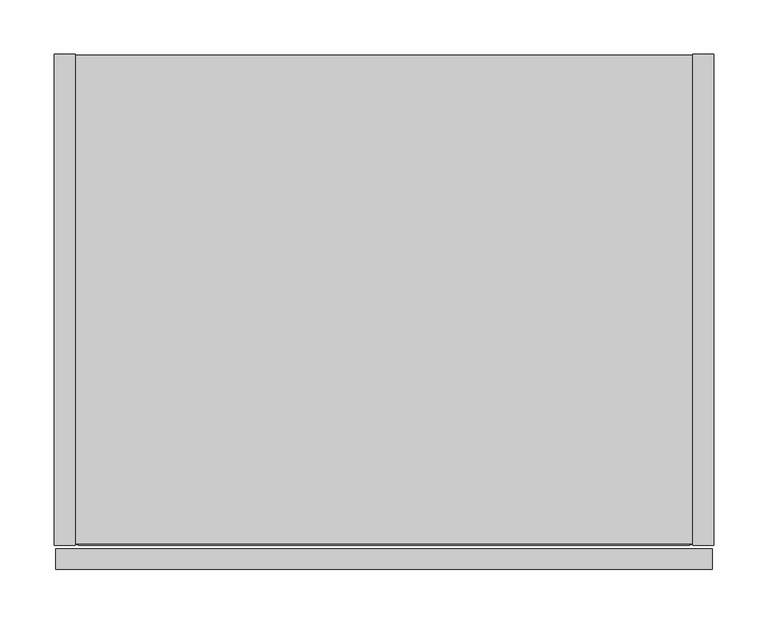
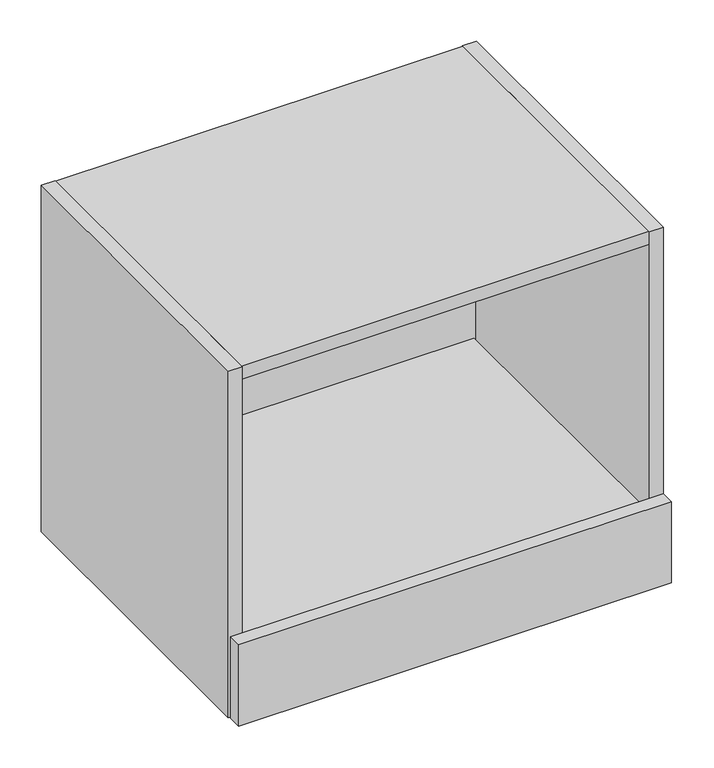
"""IFC4 building model written with IfcOpenShell, lengths in millimetres: furniture geometry."""

import ifcopenshell
import ifcopenshell.guid

model = None  # the IFC model being written
_history = None  # IfcOwnerHistory: only IFC2X3 demands one
_inside = {}  # id of a spatial element -> (the spatial element, [elements in it])
_under = {}  # id of a project, library or spatial element -> (it, [spatial elements below it])
_declared = {}  # id of a project -> (the project, [libraries it declares])
_typed = {}  # id of a type object -> (the type object, [elements of that type])
_made_of = {}  # id of a material, layer set ... -> (it, [elements and type objects made of it])


def new_model(schema):
    """Start an empty IFC model of exactly this schema.

    Asked for "IFC4X3", IfcOpenShell would pick the latest addendum, in which some entities
    have other attributes; the version numbers below select the first issue.
    IFC2X3 requires an IfcOwnerHistory on every rooted entity: one is made here for all.
    """
    global model, _history
    if schema == "IFC4X3":
        model = ifcopenshell.file(schema_version=(4, 3, 0, 0))
    else:
        model = ifcopenshell.file(schema=schema)
    _inside.clear()
    _under.clear()
    _declared.clear()
    _typed.clear()
    _made_of.clear()
    _history = None
    if model.schema == "IFC2X3":
        org = make("IfcOrganization", Name="unknown")
        user = make(
            "IfcPersonAndOrganization",
            ThePerson=make("IfcPerson", FamilyName="unknown"),
            TheOrganization=org,
        )
        app = make(
            "IfcApplication",
            ApplicationDeveloper=org,
            Version="unknown",
            ApplicationFullName="unknown",
            ApplicationIdentifier="unknown",
        )
        _history = make(
            "IfcOwnerHistory",
            OwningUser=user,
            OwningApplication=app,
            ChangeAction="ADDED",
            CreationDate=0,
        )
    return model


def make(cls, **values):
    """One entity of the class cls with the attributes given. An attribute that is None is left unset."""
    return model.create_entity(
        cls, **{name: value for name, value in values.items() if value is not None}
    )


def rooted(cls, **values):
    """An entity with a GlobalId (a new one), such as an element, a storey or a relation."""
    return make(cls, GlobalId=ifcopenshell.guid.new(), OwnerHistory=_history, **values)


def si_unit(unit_type, name, prefix=None):
    """IfcSIUnit, for example si_unit("LENGTHUNIT", "METRE", prefix="MILLI")."""
    return make("IfcSIUnit", UnitType=unit_type, Prefix=prefix, Name=name)


def assignment(units):
    """IfcUnitAssignment: the units of a project."""
    return None if units is None else make("IfcUnitAssignment", Units=units)


def point(xyz):
    """IfcCartesianPoint."""
    return None if xyz is None else make("IfcCartesianPoint", Coordinates=xyz)


def direction(xyz):
    """IfcDirection."""
    return None if xyz is None else make("IfcDirection", DirectionRatios=xyz)


def frame(location, z_axis=None, x_axis=None):
    """IfcAxis2Placement3D, a coordinate frame: its origin and axes. An axis left out is left unset."""
    return make(
        "IfcAxis2Placement3D",
        Location=point(location),
        Axis=direction(z_axis),
        RefDirection=direction(x_axis),
    )


def frame_2d(location, x_axis=None):
    """IfcAxis2Placement2D, a coordinate frame in the plane: its origin and x axis."""
    return make(
        "IfcAxis2Placement2D", Location=point(location), RefDirection=direction(x_axis)
    )


def origin():
    """The frame at (0, 0, 0) with its axes left unset."""
    return frame((0.0, 0.0, 0.0))


def place(relative_to, where):
    """IfcLocalPlacement: puts the frame where relative to a parent placement (None: the world)."""
    return make(
        "IfcLocalPlacement", PlacementRelTo=relative_to, RelativePlacement=where
    )


def context(
    kind, dimensions, precision=None, world=None, true_north=None, identifier=None
):
    """IfcGeometricRepresentationContext, for example the 3D "Model" context."""
    return make(
        "IfcGeometricRepresentationContext",
        ContextIdentifier=identifier,
        ContextType=kind,
        CoordinateSpaceDimension=dimensions,
        Precision=precision,
        WorldCoordinateSystem=world,
        TrueNorth=true_north,
    )


def project(units=None, contexts=None):
    """IfcProject with its units and contexts."""
    return rooted(
        "IfcProject",
        Name="project",
        RepresentationContexts=contexts,
        UnitsInContext=assignment(units),
    )


def spatial(cls, under=None, at=None, **own):
    """A site, building, storey or space (cls), placed at a placement, below another one or the project."""
    s = rooted(cls, ObjectPlacement=at, **own)
    if under is not None:
        _under.setdefault(under.id(), (under, []))[1].append(s)
    return s


def polyline(points):
    """IfcPolyline through the points."""
    return make("IfcPolyline", Points=[point(p) for p in points])


def circle_curve(where, radius):
    """IfcCircle in the frame where."""
    return make("IfcCircle", Position=where, Radius=radius)


def trimmed(basis, trim1, trim2, sense, master):
    """IfcTrimmedCurve: the piece of a basis curve between two trims."""
    return make(
        "IfcTrimmedCurve",
        BasisCurve=basis,
        Trim1=trim1,
        Trim2=trim2,
        SenseAgreement=sense,
        MasterRepresentation=master,
    )


def segment(curve, same_sense, transition):
    """IfcCompositeCurveSegment."""
    return make(
        "IfcCompositeCurveSegment",
        Transition=transition,
        SameSense=same_sense,
        ParentCurve=curve,
    )


def composite_curve(segments, self_intersect=None):
    """IfcCompositeCurve: segments joined end to end."""
    return make("IfcCompositeCurve", Segments=segments, SelfIntersect=self_intersect)


def outline(outer, holes=None, kind="AREA"):
    """IfcArbitraryClosedProfileDef: a profile drawn as a closed curve; with holes, ...WithVoids."""
    if holes is None:
        return make("IfcArbitraryClosedProfileDef", ProfileType=kind, OuterCurve=outer)
    return make(
        "IfcArbitraryProfileDefWithVoids",
        ProfileType=kind,
        OuterCurve=outer,
        InnerCurves=holes,
    )


def extrude(swept, where, along, depth):
    """IfcExtrudedAreaSolid: the profile swept, set in the frame where, extruded along a direction by depth."""
    return make(
        "IfcExtrudedAreaSolid",
        SweptArea=swept,
        Position=where,
        ExtrudedDirection=direction(along),
        Depth=depth,
    )


def shape(context_of_items, identifier, shape_type, items):
    """IfcShapeRepresentation: the items that make up one representation, for example the "Body"."""
    return make(
        "IfcShapeRepresentation",
        ContextOfItems=context_of_items,
        RepresentationIdentifier=identifier,
        RepresentationType=shape_type,
        Items=items,
    )


def source(mapping_origin, context_of_items, identifier, shape_type, items):
    """IfcRepresentationMap: a shape defined once, which mapped items show again and again."""
    return make(
        "IfcRepresentationMap",
        MappingOrigin=mapping_origin,
        MappedRepresentation=shape(context_of_items, identifier, shape_type, items),
    )


def transform(
    local_origin,
    x_axis=None,
    y_axis=None,
    z_axis=None,
    scale=None,
    scale2=None,
    scale3=None,
    uniform=True,
):
    """IfcCartesianTransformationOperator3D, or its non-uniform kind. x_axis, y_axis, z_axis: its Axis1, 2, 3."""
    if uniform:
        return make(
            "IfcCartesianTransformationOperator3D",
            Axis1=direction(x_axis),
            Axis2=direction(y_axis),
            LocalOrigin=point(local_origin),
            Scale=scale,
            Axis3=direction(z_axis),
        )
    return make(
        "IfcCartesianTransformationOperator3DnonUniform",
        Axis1=direction(x_axis),
        Axis2=direction(y_axis),
        LocalOrigin=point(local_origin),
        Scale=scale,
        Axis3=direction(z_axis),
        Scale2=scale2,
        Scale3=scale3,
    )


def mapped(mapping_source, mapping_target):
    """IfcMappedItem: shows the shape of a source again, moved by a transform."""
    return make(
        "IfcMappedItem", MappingSource=mapping_source, MappingTarget=mapping_target
    )


def made_of(thing, what):
    """Note that an element or type object is made of a material, layer set ...; save() writes the relation."""
    if what is not None:
        _made_of.setdefault(what.id(), (what, []))[1].append(thing)
    return thing


def element(
    cls,
    number,
    at=None,
    inside=None,
    cuts=None,
    type_object=None,
    material=None,
    context=None,
    identifier="Body",
    shape_type=None,
    held_by="IfcProductDefinitionShape",
    body=None,
    shapes=None,
    **own,
):
    """One element of the class cls, such as IfcWall. Its Tag is "e" and its number.

    at: its placement. inside: the storey or other place that contains it. cuts: it is an
    opening in that element (IfcRelVoidsElement). A single representation is given by context,
    identifier, shape_type and body (its items); several are given by shapes. held_by: the class
    of the entity that holds the representations. save() writes the other relations.
    """
    e = rooted(cls, Tag="e%d" % number, ObjectPlacement=at, **own)
    if body is not None:
        shapes = [shape(context, identifier, shape_type, body)]
    if shapes is not None:
        e.Representation = make(held_by, Representations=shapes)
    if inside is not None:
        _inside.setdefault(inside.id(), (inside, []))[1].append(e)
    if cuts is not None:
        rooted(
            "IfcRelVoidsElement", RelatingBuildingElement=cuts, RelatedOpeningElement=e
        )
    if type_object is not None:
        _typed.setdefault(type_object.id(), (type_object, []))[1].append(e)
    return made_of(e, material)


def aggregate(whole, parts):
    """IfcRelAggregates: a whole, such as a stair, and the parts it consists of."""
    return rooted("IfcRelAggregates", RelatingObject=whole, RelatedObjects=parts)


def save(model, path):
    """Write the relations noted so far, then the file.

    IfcRelAggregates (storeys below a building ...), IfcRelContainedInSpatialStructure (elements
    in a storey), IfcRelDefinesByType, IfcRelAssociatesMaterial and IfcRelDeclares: one each for
    every whole, place, type object, material and project.
    """
    for whole, parts in _under.values():
        aggregate(whole, parts)
    for where, things in _inside.values():
        rooted(
            "IfcRelContainedInSpatialStructure",
            RelatedElements=things,
            RelatingStructure=where,
        )
    for kind, things in _typed.values():
        rooted("IfcRelDefinesByType", RelatedObjects=things, RelatingType=kind)
    for what, things in _made_of.values():
        rooted("IfcRelAssociatesMaterial", RelatedObjects=things, RelatingMaterial=what)
    for by, libraries in _declared.values():
        rooted("IfcRelDeclares", RelatingContext=by, RelatedDefinitions=libraries)
    model.write(path)


def furniture_1ab86311(model_context):
    return source(origin(), model_context, "Body", "SweptSolid", [
        extrude(outline(polyline([(608.0125, -476.504), (1.5875, -476.504), (1.5875, -457.2), (608.0125, -457.2), (608.0125, -476.504)])), frame((0.0, 0.0, 325.6026), z_axis=(0.0, 0.0, 1.0), x_axis=(1.0, 0.0, 0.0)), (0.0, 0.0, 1.0), 120.65),
        extrude(outline(polyline([(587.121, -454.025), (22.479, -454.025), (22.479, -33.9757538), (587.121, -33.9757538), (587.121, -454.025)])), frame((0.0, 0.0, 407.924), z_axis=(0.0, 0.0, 1.0), x_axis=(1.0, 0.0, 0.0)), (0.0, 0.0, 1.0), 19.304),
        extrude(outline(polyline([(19.304, 0.0), (19.304, -454.025), (0.0, -454.025), (0.0, 0.0), (19.304, 0.0)])), frame((0.0, 0.0, 325.628), z_axis=(0.0, 0.0, 1.0), x_axis=(1.0, 0.0, 0.0)), (0.0, 0.0, 1.0), 512.572),
        extrude(outline(composite_curve([segment(polyline([(-454.025, 838.2), (0.0, 838.2), (0.0, 761.492), (-9.3963729, 761.492)]), True, "CONTINUOUS"), segment(trimmed(circle_curve(frame_2d((-9.3963729, 758.1883729)), 3.3036271), [point((-9.3963729, 761.492))], [point((-12.7, 758.1883729))], True, "CARTESIAN"), True, "CONTINUOUS"), segment(polyline([(-12.7, 758.1883729), (-12.7, 656.844)]), True, "CONTINUOUS"), segment(trimmed(circle_curve(frame_2d((-9.398, 656.844)), 3.302), [point((-12.7, 656.844))], [point((-9.398, 653.542))], True, "CARTESIAN"), True, "CONTINUOUS"), segment(polyline([(-9.398, 653.542), (0.0, 653.542), (0.0, 325.628), (-454.025, 325.628), (-454.025, 838.2)]), True, "CONTINUOUS")], self_intersect=False)), frame((590.296, 0.0, 0.0), z_axis=(1.0, 0.0, 0.0), x_axis=(0.0, 1.0, 0.0)), (0.0, 0.0, 1.0), 19.304),
        extrude(outline(polyline([(590.296, -0.9906), (590.296, -453.0344), (19.304, -453.0344), (19.304, -0.9906), (590.296, -0.9906)])), frame((0.0, 0.0, 326.6186), z_axis=(0.0, 0.0, 1.0), x_axis=(1.0, 0.0, 0.0)), (0.0, 0.0, 1.0), 19.304),
        extrude(outline(composite_curve([segment(polyline([(-32.004, 818.896), (-11.938, 818.896), (-11.938, 760.2988429)]), True, "CONTINUOUS"), segment(trimmed(circle_curve(frame_2d((-9.3963729, 758.1883729)), 3.3036271), [point((-11.938, 760.2988429))], [point((-12.7, 758.1883729))], True, "CARTESIAN"), True, "CONTINUOUS"), segment(polyline([(-12.7, 758.1883729), (-12.7, 656.844)]), True, "CONTINUOUS"), segment(trimmed(circle_curve(frame_2d((-9.398, 656.844)), 3.302), [point((-12.7, 656.844))], [point((-11.938, 654.7341175))], True, "CARTESIAN"), True, "CONTINUOUS"), segment(polyline([(-11.938, 654.7341175), (-11.938, 345.9226), (-32.004, 345.9226), (-32.004, 818.896)]), True, "CONTINUOUS")], self_intersect=False)), frame((19.304, 0.0, 0.0), z_axis=(1.0, 0.0, 0.0), x_axis=(0.0, 1.0, 0.0)), (0.0, 0.0, 1.0), 570.992),
        extrude(outline(polyline([(590.296, -453.0344), (19.304, -453.0344), (19.304, -0.9906), (590.296, -0.9906), (590.296, -453.0344)])), frame((0.0, 0.0, 818.896), z_axis=(0.0, 0.0, 1.0), x_axis=(1.0, 0.0, 0.0)), (0.0, 0.0, 1.0), 19.304),
    ])


if __name__ == "__main__":
    model = new_model("IFC4")
    model_context = context("Model", 3, world=origin())
    ifc_project = project(units=[si_unit("LENGTHUNIT", "METRE", prefix="MILLI")], contexts=[model_context])
    site = spatial("IfcSite", under=ifc_project)
    building = spatial("IfcBuilding", under=site)
    placement = place(None, origin())
    furniture_shape = furniture_1ab86311(model_context)
    element("IfcFurniture", 1, at=placement, inside=building, context=model_context, shape_type="MappedRepresentation", body=[
        mapped(furniture_shape, transform((0.0, 0.0, 0.0), x_axis=(1.0, 0.0, 0.0), y_axis=(0.0, 1.0, 0.0), z_axis=(0.0, 0.0, 1.0))),
    ])
    save(model, "model.ifc")
